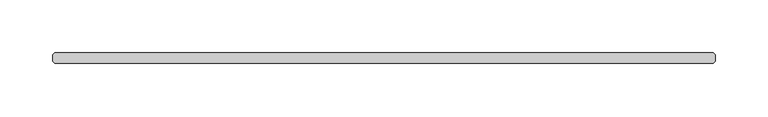
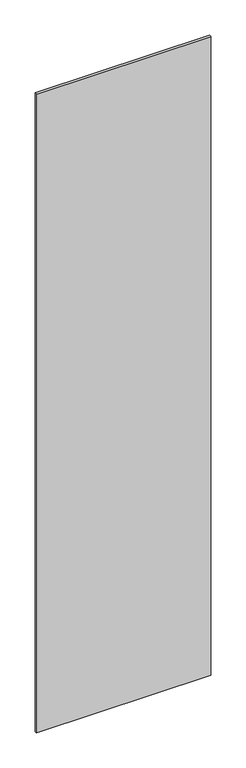
"""IFC4 building model written with IfcOpenShell, lengths in millimetres: plate geometry."""

from ifc_helpers import new_model, si_unit, origin, origin_with_axes, place, context, project, spatial, polyline, outline, extrude, source, transform, mapped, element, save


def plate_dc0e0404(model_context):
    return source(origin(), model_context, "Body", "SweptSolid", [
        extrude(outline(polyline([(310.753125, 34.925), (312.340625, 33.3375), (312.340625, 26.9875), (310.753125, 25.4), (-310.753125, 25.4), (-312.340625, 26.9875), (-312.340625, 33.3375), (-310.753125, 34.925), (310.753125, 34.925)])), origin_with_axes(), (0.0, 0.0, 1.0), 2417.075),
    ])


if __name__ == "__main__":
    model = new_model("IFC4")
    model_context = context("Model", 3, world=origin())
    ifc_project = project(units=[si_unit("LENGTHUNIT", "METRE", prefix="MILLI")], contexts=[model_context])
    site = spatial("IfcSite", under=ifc_project)
    building = spatial("IfcBuilding", under=site)
    placement = place(None, origin())
    plate_shape = plate_dc0e0404(model_context)
    element("IfcPlate", 1, at=placement, inside=building, context=model_context, shape_type="MappedRepresentation", body=[
        mapped(plate_shape, transform((0.0, 0.0, 0.0), x_axis=(1.0, 0.0, 0.0), y_axis=(0.0, 1.0, 0.0), z_axis=(0.0, 0.0, 1.0))),
    ])
    save(model, "model.ifc")
